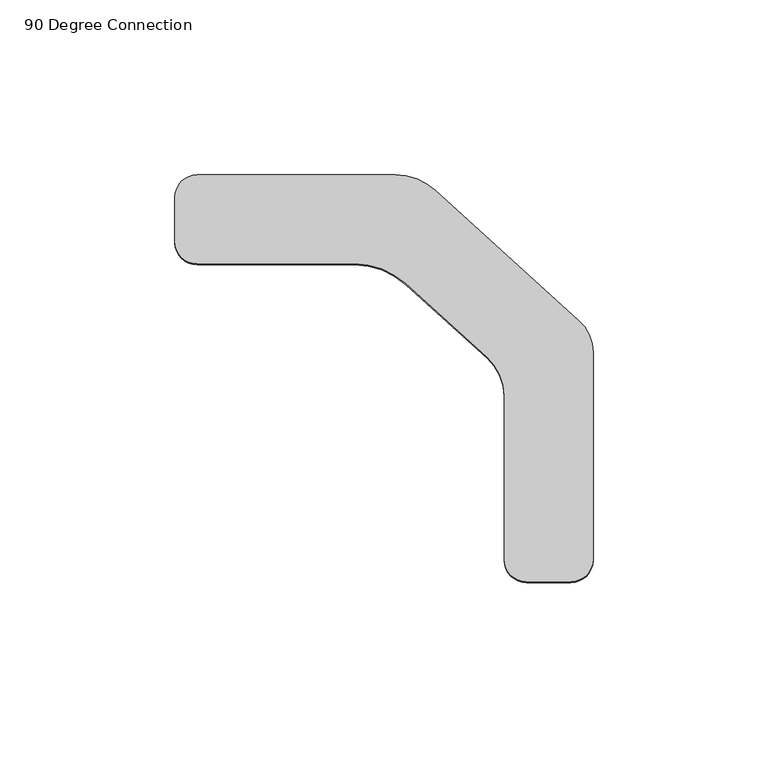
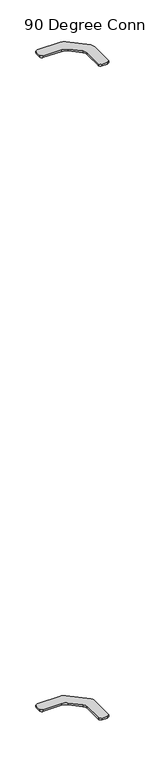
"""IFC4 building model written with IfcOpenShell, lengths in millimetres: furniture geometry, 90 Degree Connection."""

from ifc_helpers import new_model, si_unit, point, frame, frame_2d, origin, place, context, project, spatial, polyline, circle_curve, trimmed, segment, composite_curve, outline, extrude, source, transform, mapped, element, save


def furniture_90_degree_connection_d28166af(model_context):
    return source(origin(), model_context, "Body", "SweptSolid", [
        extrude(outline(composite_curve([segment(polyline([(-65.913, -44.45), (-65.913, -31.75)]), True, "CONTINUOUS"), segment(trimmed(circle_curve(frame_2d((-59.563, -31.75)), 6.35), [point((-65.913, -31.75))], [point((-59.563, -25.4))], False, "CARTESIAN"), True, "CONTINUOUS"), segment(polyline([(-59.563, -25.4), (-3.008809, -25.4)]), True, "CONTINUOUS"), segment(trimmed(circle_curve(frame_2d((-3.008809, -42.4544035)), 17.0544035), [point((-3.008809, -25.4))], [point((8.432973, -29.8077318))], False, "CARTESIAN"), True, "CONTINUOUS"), segment(polyline([(8.432973, -29.8077318), (49.3890171, -66.8617599)]), True, "CONTINUOUS"), segment(trimmed(circle_curve(frame_2d((40.8686, -76.2794291)), 12.7), [point((49.3890171, -66.8617599))], [point((53.5686, -76.2794291))], False, "CARTESIAN"), True, "CONTINUOUS"), segment(polyline([(53.5686, -76.2794291), (53.5686, -135.255)]), True, "CONTINUOUS"), segment(trimmed(circle_curve(frame_2d((47.2186, -135.255)), 6.35), [point((53.5686, -135.255))], [point((47.2186, -141.605))], False, "CARTESIAN"), True, "CONTINUOUS"), segment(polyline([(47.2186, -141.605), (34.5186, -141.605)]), True, "CONTINUOUS"), segment(trimmed(circle_curve(frame_2d((34.5186, -135.255)), 6.35), [point((34.5186, -141.605))], [point((28.1686, -135.255))], False, "CARTESIAN"), True, "CONTINUOUS"), segment(polyline([(28.1686, -135.255), (28.1686, -88.517962)]), True, "CONTINUOUS"), segment(trimmed(circle_curve(frame_2d((13.2904379, -88.517962)), 14.8781621), [point((28.1686, -88.517962))], [point((23.2721817, -77.4850795))], True, "CARTESIAN"), True, "CONTINUOUS"), segment(polyline([(23.2721817, -77.4850795), (-0.0260486, -56.4065476)]), True, "CONTINUOUS"), segment(trimmed(circle_curve(frame_2d((-14.5797686, -72.4928634)), 21.6928634), [point((-0.0260486, -56.4065476))], [point((-14.5797686, -50.8))], True, "CARTESIAN"), True, "CONTINUOUS"), segment(polyline([(-14.5797686, -50.8), (-59.563, -50.8)]), True, "CONTINUOUS"), segment(trimmed(circle_curve(frame_2d((-59.563, -44.45)), 6.35), [point((-59.563, -50.8))], [point((-65.913, -44.45))], False, "CARTESIAN"), True, "CONTINUOUS")], self_intersect=False)), frame((0.0, 0.0, 1738.4522), z_axis=(0.0, 0.0, 1.0), x_axis=(1.0, 0.0, 0.0)), (0.0, 0.0, 1.0), 4.5466),
        extrude(outline(composite_curve([segment(polyline([(-59.563, -25.4), (-3.008809, -25.4)]), True, "CONTINUOUS"), segment(trimmed(circle_curve(frame_2d((-3.008809, -42.4544035)), 17.0544035), [point((-3.008809, -25.4))], [point((8.432973, -29.8077318))], False, "CARTESIAN"), True, "CONTINUOUS"), segment(polyline([(8.432973, -29.8077318), (49.3890171, -66.8617599)]), True, "CONTINUOUS"), segment(trimmed(circle_curve(frame_2d((40.8686, -76.2794291)), 12.7), [point((49.3890171, -66.8617599))], [point((53.5686, -76.2794291))], False, "CARTESIAN"), True, "CONTINUOUS"), segment(polyline([(53.5686, -76.2794291), (53.5686, -135.255)]), True, "CONTINUOUS"), segment(trimmed(circle_curve(frame_2d((47.2186, -135.255)), 6.35), [point((53.5686, -135.255))], [point((47.2186, -141.605))], False, "CARTESIAN"), True, "CONTINUOUS"), segment(polyline([(47.2186, -141.605), (34.5186, -141.605)]), True, "CONTINUOUS"), segment(trimmed(circle_curve(frame_2d((34.5186, -135.255)), 6.35), [point((34.5186, -141.605))], [point((28.1686, -135.255))], False, "CARTESIAN"), True, "CONTINUOUS"), segment(polyline([(28.1686, -135.255), (28.1686, -88.517962)]), True, "CONTINUOUS"), segment(trimmed(circle_curve(frame_2d((13.2904379, -88.517962)), 14.8781621), [point((28.1686, -88.517962))], [point((23.2721817, -77.4850795))], True, "CARTESIAN"), True, "CONTINUOUS"), segment(polyline([(23.2721817, -77.4850795), (-0.0260486, -56.4065476)]), True, "CONTINUOUS"), segment(trimmed(circle_curve(frame_2d((-14.5797686, -72.4928634)), 21.6928634), [point((-0.0260486, -56.4065476))], [point((-14.5797686, -50.8))], True, "CARTESIAN"), True, "CONTINUOUS"), segment(polyline([(-14.5797686, -50.8), (-59.563, -50.8)]), True, "CONTINUOUS"), segment(trimmed(circle_curve(frame_2d((-59.563, -44.45)), 6.35), [point((-59.563, -50.8))], [point((-65.913, -44.45))], False, "CARTESIAN"), True, "CONTINUOUS"), segment(polyline([(-65.913, -44.45), (-65.913, -31.75)]), True, "CONTINUOUS"), segment(trimmed(circle_curve(frame_2d((-59.563, -31.75)), 6.35), [point((-65.913, -31.75))], [point((-59.563, -25.4))], False, "CARTESIAN"), True, "CONTINUOUS")], self_intersect=False)), frame((0.0, 0.0, 12.7), z_axis=(0.0, 0.0, 1.0), x_axis=(1.0, 0.0, 0.0)), (0.0, 0.0, 1.0), 4.5466),
    ])


if __name__ == "__main__":
    model = new_model("IFC4")
    model_context = context("Model", 3, world=origin())
    ifc_project = project(units=[si_unit("LENGTHUNIT", "METRE", prefix="MILLI")], contexts=[model_context])
    site = spatial("IfcSite", under=ifc_project)
    building = spatial("IfcBuilding", under=site)
    placement = place(None, origin())
    furniture_90_degree_connection_shape = furniture_90_degree_connection_d28166af(model_context)
    element("IfcFurniture", 1, ObjectType="90 Degree Connection", at=placement, inside=building, context=model_context, shape_type="MappedRepresentation", body=[
        mapped(furniture_90_degree_connection_shape, transform((0.0, 0.0, 0.0), x_axis=(1.0, 0.0, 0.0), y_axis=(0.0, 1.0, 0.0), z_axis=(0.0, 0.0, 1.0))),
    ])
    save(model, "model.ifc")
